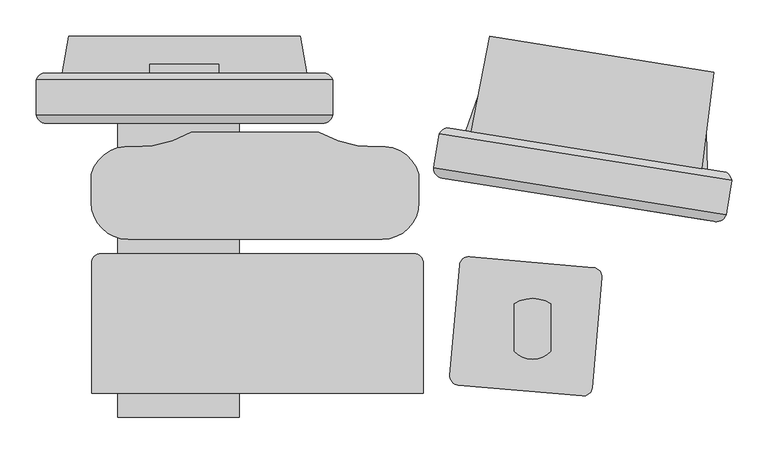
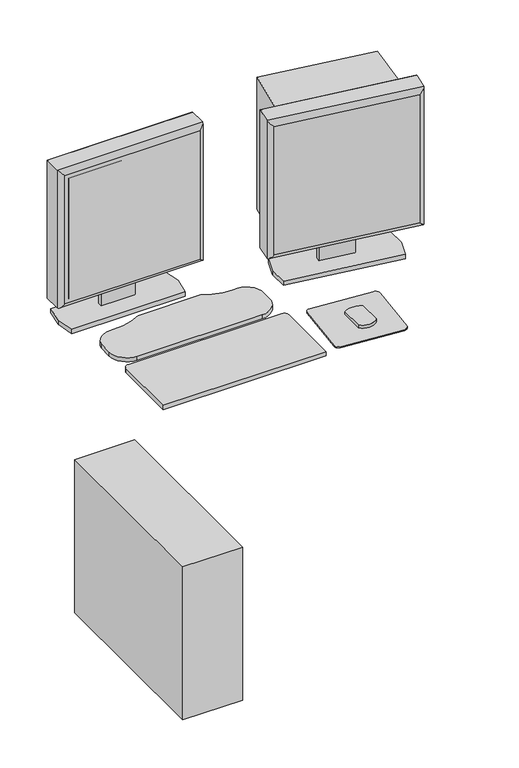
"""IFC4 building model written with IfcOpenShell, lengths in millimetres: proxy geometry."""

from ifc_helpers import new_model, si_unit, point, frame, frame_2d, origin, origin_with_axes, place, context, project, spatial, polyline, circle_curve, ellipse_curve, trimmed, segment, composite_curve, outline, extrude, source, transform, mapped, element, save
from ifc_brep_helpers import plane_surface, cylinder_surface, advanced_brep


def specialty_equipment_a468beb8(model_context):
    return source(origin(), model_context, "Body", "SolidModel", [
        extrude(outline(polyline([(235.8270128, -208.0860424), (261.4007614, -76.5205116), (570.8772751, -125.8091859), (554.3149651, -258.8099205), (235.8270128, -208.0860424)])), frame((0.0, 0.0, 1019.5339624), z_axis=(0.0, 0.0, 1.0), x_axis=(1.0, 0.0, 0.0)), (0.0, 0.0, 1.0), 391.0884017),
        advanced_brep(
        [(191.6929731, -210.411109, 1419.86), (184.9092759, -253.0049708, 1419.86), (184.1233289, -257.9398187, 1419.86), (587.9735254, -322.2588863, 1419.86), (588.7594723, -317.3240384, 1419.86), (595.5431696, -274.7301766, 1419.86), (595.5431696, -274.7301766, 1010.2963264), (588.7594723, -317.3240384, 1010.2963264), (587.9735254, -322.2588863, 1010.2963264), (184.1233289, -257.9398187, 1010.2963264), (184.9092759, -253.0049708, 1010.2963264), (191.6929731, -210.411109, 1010.2963264), (202.268552, -202.7413653, 1019.5339624), (202.268552, -202.7413653, 1410.622364), (587.8734259, -264.1545977, 1410.622364), (587.8734259, -264.1545977, 1019.5339624), (196.2420036, -271.9039933, 1405.694569), (196.2420036, -271.9039933, 1024.4617574), (572.115208, -331.7673145, 1024.460487), (572.1164625, -331.7675143, 1405.694569)],
        [
            (0, 1),
            (1, 2),
            (2, 3),
            (3, 4),
            (4, 5),
            (5, 0),
            (6, 7),
            (7, 8),
            (8, 9),
            (9, 10),
            (10, 11),
            (11, 6),
            (12, 13),
            (13, 14),
            (14, 15),
            (15, 12),
            (0, 11),
            (9, 2),
            (16, 17),
            (17, 18),
            (18, 19),
            (19, 16),
            (3, 8),
            (6, 5),
            (12, 11, ellipse_curve(frame((206.5254533, -219.7371241, 1026.4110147), z_axis=(-0.698305894430231, 0.11121545667753065, 0.7071067811865499), x_axis=(-0.6983058944302356, 0.11121545667753151, -0.7071067811865451)), 24.7780962, 17.5207599)),
            (0, 13, ellipse_curve(frame((206.5254533, -219.7371241, 1403.7453117), z_axis=(-0.6983058944302357, 0.11121545667753163, -0.707106781186545), x_axis=(0.6983058944302308, -0.11121545667753072, -0.70710678118655)), 24.7780962, 17.5207599)),
            (16, 2, ellipse_curve(frame((198.5041712, -257.700168, 1405.6958394), z_axis=(-0.6983058944302357, 0.11121545667753163, -0.707106781186545), x_axis=(0.6983058944302308, -0.11121545667753072, -0.70710678118655)), 20.3404059, 14.3828389)),
            (9, 17, ellipse_curve(frame((198.5041712, -257.700168, 1024.460487), z_axis=(-0.698305894430231, 0.11121545667753065, 0.7071067811865499), x_axis=(-0.6983058944302356, 0.11121545667753151, -0.7071067811865451)), 20.3404059, 14.3828389)),
            (15, 6, ellipse_curve(frame((578.5474107, -278.9870778, 1026.4110147), z_axis=(-0.6983058944302358, 0.11121545667753144, -0.7071067811865451), x_axis=(0.6983058944302308, -0.11121545667753073, -0.70710678118655)), 24.7780962, 17.5207599)),
            (8, 18, ellipse_curve(frame((574.37863, -317.5636891, 1024.460487), z_axis=(-0.6983058944302358, 0.11121545667753144, -0.7071067811865451), x_axis=(0.6983058944302308, -0.11121545667753073, -0.70710678118655)), 20.3404059, 14.3828389)),
            (14, 5, ellipse_curve(frame((578.5474107, -278.9870778, 1403.7453117), z_axis=(0.6983058944302311, -0.11121545667753088, -0.7071067811865498), x_axis=(0.6983058944302356, -0.11121545667753148, 0.7071067811865452)), 24.7780962, 17.5207599)),
            (3, 19, ellipse_curve(frame((574.37863, -317.5636891, 1405.6958394), z_axis=(0.6983058944302311, -0.11121545667753088, -0.7071067811865498), x_axis=(0.6983058944302356, -0.11121545667753148, 0.7071067811865452)), 20.3404059, 14.3828389)),
        ],
        [
            plane_surface(frame((198.1626634, -202.0874423, 1419.86), z_axis=(0.0, 0.0, 1.0), x_axis=(-0.9875536665883118, 0.15728240717887565, 0.0))),
            plane_surface(frame((198.1626634, -202.0874423, 1010.2963264), z_axis=(0.0, 0.0, -1.0), x_axis=(0.9875536665883118, -0.15728240717887565, 0.0))),
            plane_surface(frame((596.9960872, -265.6075153, 1419.86), z_axis=(0.15728240717887565, 0.9875536665883118, 0.0), x_axis=(0.0, 0.0, -1.0))),
            plane_surface(frame((193.1458908, -201.2884477, 1419.86), z_axis=(-0.9875536665883116, 0.1572824071788768, 0.0), x_axis=(0.0, 0.0, -1.0))),
            plane_surface(frame((182.2541349, -269.67622, 1419.86), z_axis=(-0.15728240717887565, -0.9875536665883118, 0.0), x_axis=(0.0, 0.0, -1.0))),
            plane_surface(frame((586.1043313, -333.9952876, 1419.86), z_axis=(0.9875536665883115, -0.15728240717887726, 0.0), x_axis=(0.0, 0.0, -1.0))),
            cylinder_surface(frame((206.5254533, -219.7371241, 1419.86), z_axis=(0.0, 0.0, -1.0000000000000002), x_axis=(0.15728240717888198, 0.9875536665883109, 0.0)), 17.5207599),
            cylinder_surface(frame((198.5041712, -257.700168, 1419.86), z_axis=(0.0, 0.0, -1.0000000000000002), x_axis=(0.15728240717888198, 0.9875536665883109, 0.0)), 14.3828389),
            cylinder_surface(frame((190.6113338, -217.2025672, 1026.4110147), z_axis=(0.9875536665883109, -0.1572824071788819, 0.0), x_axis=(0.1572824071788819, 0.9875536665883109, 0.0)), 17.5207599),
            cylinder_surface(frame((184.5163024, -255.4723947, 1024.460487), z_axis=(0.9875536665883109, -0.1572824071788819, 0.0), x_axis=(0.1572824071788819, 0.9875536665883109, 0.0)), 14.3828389),
            cylinder_surface(frame((578.5474107, -278.9870778, 1010.2963264), z_axis=(0.0, 0.0, 1.0), x_axis=(0.15728240717888195, 0.9875536665883108, 0.0)), 17.5207599),
            cylinder_surface(frame((574.37863, -317.5636891, 1010.2963264), z_axis=(0.0, 0.0, 1.0), x_axis=(0.15728240717888195, 0.9875536665883108, 0.0)), 14.3828389),
            cylinder_surface(frame((594.4615302, -281.5216348, 1403.7453117), z_axis=(-0.9875536665883108, 0.15728240717888203, 0.0), x_axis=(0.15728240717888203, 0.9875536665883108, 0.0)), 17.5207599),
            cylinder_surface(frame((588.3664988, -319.7914623, 1405.6958394), z_axis=(-0.9875536665883108, 0.15728240717888203, 0.0), x_axis=(0.15728240717888203, 0.9875536665883108, 0.0)), 14.3828389),
        ],
        [
            (0, [[1, 2, 3, 4, 5, 6]]),
            (1, [[7, 8, 9, 10, 11, 12]]),
            (2, [[13, 14, 15, 16]]),
            (3, [[-1, 17, -11, -10, 18, -2]]),
            (4, [[19, 20, 21, 22]]),
            (5, [[-5, -4, 23, -8, -7, 24]]),
            (6, [[25, -17, 26, -13]]),
            (7, [[27, -18, 28, -19]]),
            (8, [[-25, -16, 29, -12]]),
            (9, [[30, -20, -28, -9]]),
            (10, [[-29, -15, 31, -24]]),
            (11, [[32, -21, -30, -23]]),
            (12, [[-26, -6, -31, -14]]),
            (13, [[-27, -22, -32, -3]]),
        ],
    ),
        extrude(outline(polyline([(208.2681314, -267.831019), (561.9506016, -324.1601403), (561.0204682, -330.0003145), (207.337998, -273.6711932), (208.2681314, -267.831019)])), frame((0.0, 0.0, 1035.6963264), z_axis=(0.0, 0.0, 1.0), x_axis=(1.0, 0.0, 0.0)), (0.0, 0.0, 1.0), 358.7636736),
        extrude(outline(polyline([(0.0, -12.6811712), (0.0, 0.0), (216.7454432, 0.0), (216.7454432, -2.7372324), (229.4454432, -2.7372324), (229.4454432, 0.0), (309.6640325, 0.0), (309.6640325, -12.6811712), (0.0, -12.6811712)])), frame((442.1032323, -240.9385561, 1236.2794056), z_axis=(-0.987553666588311, 0.1572824071788805, 0.0), x_axis=(0.0, 0.0, -1.0)), (0.0, 0.0, 1.0), 95.25),
        extrude(outline(polyline([(228.5141378, -206.9213598), (245.5742245, -157.9409853), (560.6275454, -208.1178479), (561.6278402, -259.9746032), (544.5677534, -308.9549777), (229.5144325, -258.778115), (228.5141378, -206.9213598)])), frame((0.0, 0.0, 914.4), z_axis=(0.0, 0.0, 1.0), x_axis=(1.0, 0.0, 0.0)), (0.0, 0.0, 1.0), 12.2153731),
        advanced_brep(
        [(-363.982, -136.491636, 1419.86), (-363.982, -179.6223166, 1419.86), (-363.982, -184.6193594, 1419.86), (44.958, -184.6193594, 1419.86), (44.958, -179.6223166, 1419.86), (44.958, -136.491636, 1419.86), (44.958, -136.491636, 1010.2963264), (44.958, -179.6223166, 1010.2963264), (44.958, -184.6193594, 1010.2963264), (-363.982, -184.6193594, 1010.2963264), (-363.982, -179.6223166, 1010.2963264), (-363.982, -136.491636, 1010.2963264), (-354.744364, -127.254, 1019.5339624), (-354.744364, -127.254, 1410.622364), (35.720364, -127.254, 1410.622364), (35.720364, -127.254, 1019.5339624), (-349.8178394, -196.5036769, 1405.694569), (-349.8178394, -196.5036769, 1024.4617574), (30.792569, -196.5036769, 1024.460487), (30.7938394, -196.5036769, 1405.694569)],
        [
            (0, 1),
            (1, 2),
            (2, 3),
            (3, 4),
            (4, 5),
            (5, 0),
            (6, 7),
            (7, 8),
            (8, 9),
            (9, 10),
            (10, 11),
            (11, 6),
            (12, 13),
            (13, 14),
            (14, 15),
            (15, 12),
            (0, 11),
            (9, 2),
            (16, 17),
            (17, 18),
            (18, 19),
            (19, 16),
            (3, 8),
            (6, 5),
            (12, 11, ellipse_curve(frame((-347.8673117, -143.3686883, 1026.4110147), z_axis=(-0.7071067811865452, 0.0, 0.7071067811865498), x_axis=(-0.7071067811865498, 0.0, -0.7071067811865452)), 24.7780962, 17.5207599)),
            (0, 13, ellipse_curve(frame((-347.8673117, -143.3686883, 1403.7453117), z_axis=(-0.7071067811865498, 0.0, -0.7071067811865452), x_axis=(0.7071067811865452, 0.0, -0.7071067811865498)), 24.7780962, 17.5207599)),
            (16, 2, ellipse_curve(frame((-349.8178394, -182.120838, 1405.6958394), z_axis=(-0.7071067811865498, 0.0, -0.7071067811865452), x_axis=(0.7071067811865452, 0.0, -0.7071067811865498)), 20.3404059, 14.3828389)),
            (9, 17, ellipse_curve(frame((-349.8178394, -182.120838, 1024.460487), z_axis=(-0.7071067811865452, 0.0, 0.7071067811865498), x_axis=(-0.7071067811865498, 0.0, -0.7071067811865452)), 20.3404059, 14.3828389)),
            (15, 6, ellipse_curve(frame((28.8433117, -143.3686883, 1026.4110147), z_axis=(-0.7071067811865498, 0.0, -0.7071067811865452), x_axis=(0.7071067811865452, 0.0, -0.7071067811865497)), 24.7780962, 17.5207599)),
            (8, 18, ellipse_curve(frame((30.7938394, -182.120838, 1024.460487), z_axis=(-0.7071067811865498, 0.0, -0.7071067811865452), x_axis=(0.7071067811865452, 0.0, -0.7071067811865497)), 20.3404059, 14.3828389)),
            (14, 5, ellipse_curve(frame((28.8433117, -143.3686883, 1403.7453117), z_axis=(0.7071067811865452, 0.0, -0.7071067811865498), x_axis=(0.7071067811865498, 0.0, 0.7071067811865452)), 24.7780962, 17.5207599)),
            (3, 19, ellipse_curve(frame((30.7938394, -182.120838, 1405.6958394), z_axis=(0.7071067811865452, 0.0, -0.7071067811865498), x_axis=(0.7071067811865498, 0.0, 0.7071067811865452)), 20.3404059, 14.3828389)),
        ],
        [
            plane_surface(frame((-358.902, -127.254, 1419.86), z_axis=(0.0, 0.0, 1.0), x_axis=(-1.0, 0.0, 0.0))),
            plane_surface(frame((-358.902, -127.254, 1010.2963264), z_axis=(0.0, 0.0, -1.0), x_axis=(1.0, 0.0, 0.0))),
            plane_surface(frame((44.958, -127.254, 1419.86), z_axis=(0.0, 1.0, 0.0), x_axis=(0.0, 0.0, -1.0))),
            plane_surface(frame((-363.982, -127.254, 1419.86), z_axis=(-1.0, 0.0, 0.0), x_axis=(0.0, 0.0, -1.0))),
            plane_surface(frame((-363.982, -196.5036769, 1419.86), z_axis=(0.0, -1.0, 0.0), x_axis=(0.0, 0.0, -1.0))),
            plane_surface(frame((44.958, -196.5036769, 1419.86), z_axis=(1.0, 0.0, 0.0), x_axis=(0.0, 0.0, -1.0))),
            cylinder_surface(frame((-347.8673117, -143.3686883, 1419.86), z_axis=(0.0, 0.0, -1.0), x_axis=(0.0, 1.0, 0.0)), 17.5207599),
            cylinder_surface(frame((-349.8178394, -182.120838, 1419.86), z_axis=(0.0, 0.0, -1.0), x_axis=(0.0, 1.0, 0.0)), 14.3828389),
            cylinder_surface(frame((-363.982, -143.3686883, 1026.4110147), z_axis=(1.0, 0.0, 0.0), x_axis=(0.0, 1.0, 0.0)), 17.5207599),
            cylinder_surface(frame((-363.982, -182.120838, 1024.460487), z_axis=(1.0, 0.0, 0.0), x_axis=(0.0, 1.0, 0.0)), 14.3828389),
            cylinder_surface(frame((28.8433117, -143.3686883, 1010.2963264), z_axis=(0.0, 0.0, 1.0), x_axis=(0.0, 1.0, 0.0)), 17.5207599),
            cylinder_surface(frame((30.7938394, -182.120838, 1010.2963264), z_axis=(0.0, 0.0, 1.0), x_axis=(0.0, 1.0, 0.0)), 14.3828389),
            cylinder_surface(frame((44.958, -143.3686883, 1403.7453117), z_axis=(-1.0, 0.0, 0.0), x_axis=(0.0, 1.0, 0.0)), 17.5207599),
            cylinder_surface(frame((44.958, -182.120838, 1405.6958394), z_axis=(-1.0, 0.0, 0.0), x_axis=(0.0, 1.0, 0.0)), 14.3828389),
        ],
        [
            (0, [[1, 2, 3, 4, 5, 6]]),
            (1, [[7, 8, 9, 10, 11, 12]]),
            (2, [[13, 14, 15, 16]]),
            (3, [[-1, 17, -11, -10, 18, -2]]),
            (4, [[19, 20, 21, 22]]),
            (5, [[-5, -4, 23, -8, -7, 24]]),
            (6, [[25, -17, 26, -13]]),
            (7, [[27, -18, 28, -19]]),
            (8, [[-25, -16, 29, -12]]),
            (9, [[30, -20, -28, -9]]),
            (10, [[-29, -15, 31, -24]]),
            (11, [[32, -21, -30, -23]]),
            (12, [[-26, -6, -31, -14]]),
            (13, [[-27, -22, -32, -3]]),
        ],
    ),
        extrude(outline(polyline([(-338.582, -190.5898978), (19.558, -190.5898978), (19.558, -196.5036769), (-338.582, -196.5036769), (-338.582, -190.5898978)])), frame((0.0, 0.0, 1035.6963264), z_axis=(0.0, 0.0, 1.0), x_axis=(1.0, 0.0, 0.0)), (0.0, 0.0, 1.0), 358.7636736),
        extrude(outline(polyline([(-127.254, 1236.2794056), (-114.5728288, 1236.2794056), (-114.5728288, 926.6153731), (-127.254, 926.6153731), (-127.254, 1006.8339624), (-124.5167676, 1006.8339624), (-124.5167676, 1019.5339624), (-127.254, 1019.5339624), (-127.254, 1236.2794056)])), frame((-207.137, 0.0, 0.0), z_axis=(1.0, 0.0, 0.0), x_axis=(0.0, 1.0, 0.0)), (0.0, 0.0, 1.0), 95.25),
        extrude(outline(polyline([(-251.6726526, -601.98), (-251.6726526, -76.2), (-84.0326526, -76.2), (-84.0326526, -601.98), (-251.6726526, -601.98)])), origin_with_axes(), (0.0, 0.0, 1.0), 454.66),
        extrude(outline(composite_curve([segment(trimmed(circle_curve(frame_2d((-237.3342316, -305.4075553)), 50.8), [point((-237.3342316, -356.2075553))], [point((-288.1342316, -305.4075553))], False, "CARTESIAN"), True, "CONTINUOUS"), segment(polyline([(-288.1342316, -305.4075553), (-288.1342316, -266.5829027)]), True, "CONTINUOUS"), segment(trimmed(circle_curve(frame_2d((-238.1375212, -280.0126416)), 51.7689959), [point((-288.1342316, -266.5829027))], [point((-231.102613, -228.7238612))], False, "CARTESIAN"), True, "CONTINUOUS"), segment(trimmed(circle_curve(frame_2d((-227.1307045, -73.7360896)), 155.0386577), [point((-231.102613, -228.7238612))], [point((-150.2201287, -208.3531343))], True, "CARTESIAN"), True, "CONTINUOUS"), segment(trimmed(circle_curve(frame_2d((-62.0742316, -1060.7238482)), 856.9162929), [point((-150.2201287, -208.3531343))], [point((26.0716656, -208.3531343))], False, "CARTESIAN"), True, "CONTINUOUS"), segment(trimmed(circle_curve(frame_2d((102.9822413, -73.7360896)), 155.0386577), [point((26.0716656, -208.3531343))], [point((106.9541498, -228.7238612))], True, "CARTESIAN"), True, "CONTINUOUS"), segment(trimmed(circle_curve(frame_2d((113.9890581, -280.0126416)), 51.7689959), [point((106.9541498, -228.7238612))], [point((163.9857684, -266.5829027))], False, "CARTESIAN"), True, "CONTINUOUS"), segment(polyline([(163.9857684, -266.5829027), (163.9857684, -305.4075553)]), True, "CONTINUOUS"), segment(trimmed(circle_curve(frame_2d((113.1857684, -305.4075553)), 50.8), [point((163.9857684, -305.4075553))], [point((113.1857684, -356.2075553))], False, "CARTESIAN"), True, "CONTINUOUS"), segment(polyline([(113.1857684, -356.2075553), (-237.3342316, -356.2075553)]), True, "CONTINUOUS")], self_intersect=False)), frame((0.0, 0.0, 914.4), z_axis=(0.0, 0.0, 1.0), x_axis=(1.0, 0.0, 0.0)), (0.0, 0.0, 1.0), 12.2153731),
        extrude(outline(composite_curve([segment(trimmed(circle_curve(frame_2d((232.7130801, -393.0129524)), 12.7), [point((220.0614075, -391.9060744))], [point((233.8199581, -380.3612797))], False, "CARTESIAN"), True, "CONTINUOUS"), segment(polyline([(233.8199581, -380.3612797), (404.6175391, -395.3041318)]), True, "CONTINUOUS"), segment(trimmed(circle_curve(frame_2d((403.5106611, -407.9558045)), 12.7), [point((404.6175391, -395.3041318))], [point((416.1623338, -409.0626824))], False, "CARTESIAN"), True, "CONTINUOUS"), segment(polyline([(416.1623338, -409.0626824), (402.8797986, -560.8827544)]), True, "CONTINUOUS"), segment(trimmed(circle_curve(frame_2d((390.2281259, -559.7758764)), 12.7), [point((402.8797986, -560.8827544))], [point((389.121248, -572.4275491))], False, "CARTESIAN"), True, "CONTINUOUS"), segment(polyline([(389.121248, -572.4275491), (218.323667, -557.484697)]), True, "CONTINUOUS"), segment(trimmed(circle_curve(frame_2d((219.4305449, -544.8330243)), 12.7), [point((218.323667, -557.484697))], [point((206.7788723, -543.7261464))], False, "CARTESIAN"), True, "CONTINUOUS"), segment(polyline([(206.7788723, -543.7261464), (220.0614075, -391.9060744)]), True, "CONTINUOUS")], self_intersect=False)), frame((0.0, 0.0, 914.4), z_axis=(0.0, 0.0, 1.0), x_axis=(1.0, 0.0, 0.0)), (0.0, 0.0, 1.0), 2.9133962),
        extrude(outline(composite_curve([segment(trimmed(circle_curve(frame_2d((320.6557645, -485.8695803)), 35.5491443), [point((346.0557645, -510.7408822))], [point((295.2557645, -510.7408822))], False, "CARTESIAN"), True, "CONTINUOUS"), segment(polyline([(295.2557645, -510.7408822), (295.2557645, -445.4455355)]), True, "CONTINUOUS"), segment(trimmed(circle_curve(frame_2d((320.6557645, -483.6229486)), 45.8549329), [point((295.2557645, -445.4455355))], [point((346.0557645, -445.4455355))], False, "CARTESIAN"), True, "CONTINUOUS"), segment(polyline([(346.0557645, -445.4455355), (346.0557645, -510.7408822)]), True, "CONTINUOUS")], self_intersect=False)), frame((0.0, 0.0, 917.3133962), z_axis=(0.0, 0.0, 1.0), x_axis=(1.0, 0.0, 0.0)), (0.0, 0.0, 1.0), 9.3019768),
        extrude(outline(polyline([(-328.168, -127.254), (-319.024, -76.2), (0.0, -76.2), (9.144, -127.254), (0.0, -178.308), (-319.024, -178.308), (-328.168, -127.254)])), frame((0.0, 0.0, 914.4), z_axis=(0.0, 0.0, 1.0), x_axis=(1.0, 0.0, 0.0)), (0.0, 0.0, 1.0), 12.2153731),
        extrude(outline(composite_curve([segment(trimmed(circle_curve(frame_2d((-274.6613159, -388.7729116)), 12.7), [point((-287.3613159, -388.7729116))], [point((-274.6613159, -376.0729116))], False, "CARTESIAN"), True, "CONTINUOUS"), segment(polyline([(-274.6613159, -376.0729116), (157.1386841, -376.0729116)]), True, "CONTINUOUS"), segment(trimmed(circle_curve(frame_2d((157.1386841, -388.7729116)), 12.7), [point((157.1386841, -376.0729116))], [point((169.8386841, -388.7729116))], False, "CARTESIAN"), True, "CONTINUOUS"), segment(polyline([(169.8386841, -388.7729116), (169.8386841, -568.8437866)]), True, "CONTINUOUS"), segment(trimmed(circle_curve(frame_2d((-58.7613159, 1731.4105304)), 2311.5855777), [point((169.8386841, -568.8437866))], [point((-287.3613159, -568.8437866))], False, "CARTESIAN"), True, "CONTINUOUS"), segment(polyline([(-287.3613159, -568.8437866), (-287.3613159, -388.7729116)]), True, "CONTINUOUS")], self_intersect=False)), frame((0.0, 0.0, 914.4), z_axis=(0.0, 0.0, 1.0), x_axis=(1.0, 0.0, 0.0)), (0.0, 0.0, 1.0), 12.2153731),
    ])


if __name__ == "__main__":
    model = new_model("IFC4")
    model_context = context("Model", 3, world=origin())
    ifc_project = project(units=[si_unit("LENGTHUNIT", "METRE", prefix="MILLI")], contexts=[model_context])
    site = spatial("IfcSite", under=ifc_project)
    building = spatial("IfcBuilding", under=site)
    placement = place(None, origin())
    specialty_equipment_shape = specialty_equipment_a468beb8(model_context)
    element("IfcBuildingElementProxy", 1, Name="Specialty Equipment", at=placement, inside=building, context=model_context, shape_type="MappedRepresentation", body=[
        mapped(specialty_equipment_shape, transform((0.0, 0.0, 0.0), x_axis=(1.0, 0.0, 0.0), y_axis=(0.0, 1.0, 0.0), z_axis=(0.0, 0.0, 1.0))),
    ])
    save(model, "model.ifc")
